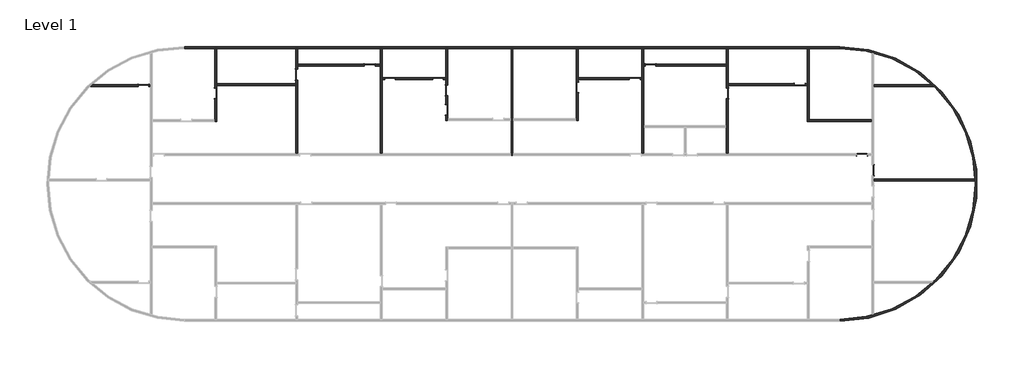
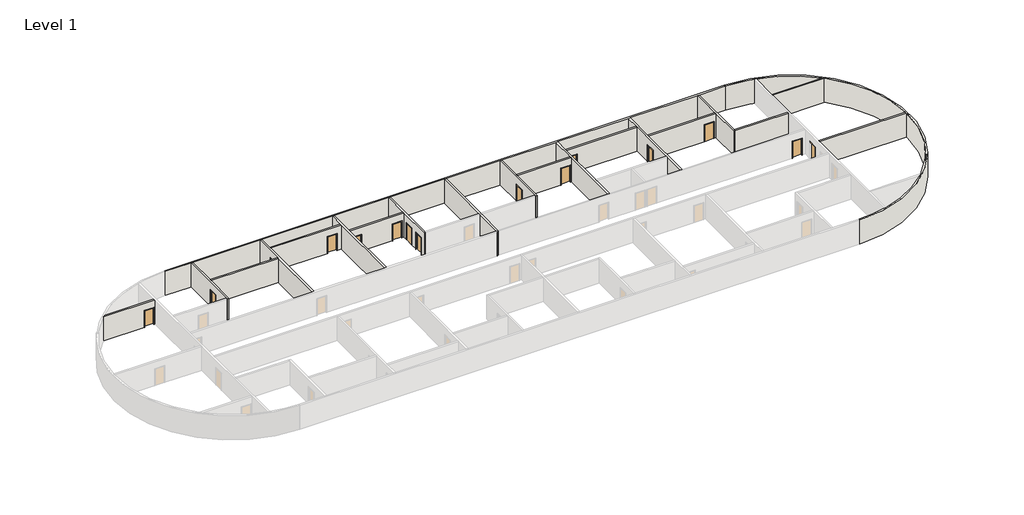
# One storey, part 3 of 3: 21 walls, 15 doors.
"""IFC4 building model written with IfcOpenShell, lengths in millimetres."""

import ifcopenshell
import ifcopenshell.guid

model = None  # the IFC model being written
_history = None  # IfcOwnerHistory: only IFC2X3 demands one
_inside = {}  # id of a spatial element -> (the spatial element, [elements in it])
_under = {}  # id of a project, library or spatial element -> (it, [spatial elements below it])
_declared = {}  # id of a project -> (the project, [libraries it declares])
_typed = {}  # id of a type object -> (the type object, [elements of that type])
_made_of = {}  # id of a material, layer set ... -> (it, [elements and type objects made of it])


def new_model(schema):
    """Start an empty IFC model of exactly this schema.

    Asked for "IFC4X3", IfcOpenShell would pick the latest addendum, in which some entities
    have other attributes; the version numbers below select the first issue.
    IFC2X3 requires an IfcOwnerHistory on every rooted entity: one is made here for all.
    """
    global model, _history
    if schema == "IFC4X3":
        model = ifcopenshell.file(schema_version=(4, 3, 0, 0))
    else:
        model = ifcopenshell.file(schema=schema)
    _inside.clear()
    _under.clear()
    _declared.clear()
    _typed.clear()
    _made_of.clear()
    _history = None
    if model.schema == "IFC2X3":
        org = make("IfcOrganization", Name="unknown")
        user = make(
            "IfcPersonAndOrganization",
            ThePerson=make("IfcPerson", FamilyName="unknown"),
            TheOrganization=org,
        )
        app = make(
            "IfcApplication",
            ApplicationDeveloper=org,
            Version="unknown",
            ApplicationFullName="unknown",
            ApplicationIdentifier="unknown",
        )
        _history = make(
            "IfcOwnerHistory",
            OwningUser=user,
            OwningApplication=app,
            ChangeAction="ADDED",
            CreationDate=0,
        )
    return model


def make(cls, **values):
    """One entity of the class cls with the attributes given. An attribute that is None is left unset."""
    return model.create_entity(
        cls, **{name: value for name, value in values.items() if value is not None}
    )


def rooted(cls, **values):
    """An entity with a GlobalId (a new one), such as an element, a storey or a relation."""
    return make(cls, GlobalId=ifcopenshell.guid.new(), OwnerHistory=_history, **values)


def si_unit(unit_type, name, prefix=None):
    """IfcSIUnit, for example si_unit("LENGTHUNIT", "METRE", prefix="MILLI")."""
    return make("IfcSIUnit", UnitType=unit_type, Prefix=prefix, Name=name)


def assignment(units):
    """IfcUnitAssignment: the units of a project."""
    return None if units is None else make("IfcUnitAssignment", Units=units)


def point(xyz):
    """IfcCartesianPoint."""
    return None if xyz is None else make("IfcCartesianPoint", Coordinates=xyz)


def direction(xyz):
    """IfcDirection."""
    return None if xyz is None else make("IfcDirection", DirectionRatios=xyz)


def frame(location, z_axis=None, x_axis=None):
    """IfcAxis2Placement3D, a coordinate frame: its origin and axes. An axis left out is left unset."""
    return make(
        "IfcAxis2Placement3D",
        Location=point(location),
        Axis=direction(z_axis),
        RefDirection=direction(x_axis),
    )


def frame_2d(location, x_axis=None):
    """IfcAxis2Placement2D, a coordinate frame in the plane: its origin and x axis."""
    return make(
        "IfcAxis2Placement2D", Location=point(location), RefDirection=direction(x_axis)
    )


def origin():
    """The frame at (0, 0, 0) with its axes left unset."""
    return frame((0.0, 0.0, 0.0))


def origin_with_axes():
    """The frame at (0, 0, 0) with the z axis (0, 0, 1) and the x axis (1, 0, 0) written out."""
    return frame((0.0, 0.0, 0.0), z_axis=(0.0, 0.0, 1.0), x_axis=(1.0, 0.0, 0.0))


def place(relative_to, where):
    """IfcLocalPlacement: puts the frame where relative to a parent placement (None: the world)."""
    return make(
        "IfcLocalPlacement", PlacementRelTo=relative_to, RelativePlacement=where
    )


def context(
    kind, dimensions, precision=None, world=None, true_north=None, identifier=None
):
    """IfcGeometricRepresentationContext, for example the 3D "Model" context."""
    return make(
        "IfcGeometricRepresentationContext",
        ContextIdentifier=identifier,
        ContextType=kind,
        CoordinateSpaceDimension=dimensions,
        Precision=precision,
        WorldCoordinateSystem=world,
        TrueNorth=true_north,
    )


def project(units=None, contexts=None):
    """IfcProject with its units and contexts."""
    return rooted(
        "IfcProject",
        Name="project",
        RepresentationContexts=contexts,
        UnitsInContext=assignment(units),
    )


def spatial(cls, under=None, at=None, **own):
    """A site, building, storey or space (cls), placed at a placement, below another one or the project."""
    s = rooted(cls, ObjectPlacement=at, **own)
    if under is not None:
        _under.setdefault(under.id(), (under, []))[1].append(s)
    return s


def polyline(points):
    """IfcPolyline through the points."""
    return make("IfcPolyline", Points=[point(p) for p in points])


def circle_curve(where, radius):
    """IfcCircle in the frame where."""
    return make("IfcCircle", Position=where, Radius=radius)


def trimmed(basis, trim1, trim2, sense, master):
    """IfcTrimmedCurve: the piece of a basis curve between two trims."""
    return make(
        "IfcTrimmedCurve",
        BasisCurve=basis,
        Trim1=trim1,
        Trim2=trim2,
        SenseAgreement=sense,
        MasterRepresentation=master,
    )


def segment(curve, same_sense, transition):
    """IfcCompositeCurveSegment."""
    return make(
        "IfcCompositeCurveSegment",
        Transition=transition,
        SameSense=same_sense,
        ParentCurve=curve,
    )


def composite_curve(segments, self_intersect=None):
    """IfcCompositeCurve: segments joined end to end."""
    return make("IfcCompositeCurve", Segments=segments, SelfIntersect=self_intersect)


def outline(outer, holes=None, kind="AREA"):
    """IfcArbitraryClosedProfileDef: a profile drawn as a closed curve; with holes, ...WithVoids."""
    if holes is None:
        return make("IfcArbitraryClosedProfileDef", ProfileType=kind, OuterCurve=outer)
    return make(
        "IfcArbitraryProfileDefWithVoids",
        ProfileType=kind,
        OuterCurve=outer,
        InnerCurves=holes,
    )


def extrude(swept, where, along, depth):
    """IfcExtrudedAreaSolid: the profile swept, set in the frame where, extruded along a direction by depth."""
    return make(
        "IfcExtrudedAreaSolid",
        SweptArea=swept,
        Position=where,
        ExtrudedDirection=direction(along),
        Depth=depth,
    )


def faces_of(points, faces, orient=None, outer=None):
    """IfcFace entities. A face is a list of loops; a loop is a list of indices into points, from 0.

    orient and outer hold one flag for each loop. By default every Orientation is true, the
    first loop of a face is its IfcFaceOuterBound and the others are IfcFaceBound.
    """
    made = []
    for i, loops in enumerate(faces):
        bounds = []
        for j, loop in enumerate(loops):
            is_outer = j == 0 if outer is None else outer[i][j]
            bounds.append(
                make(
                    "IfcFaceOuterBound" if is_outer else "IfcFaceBound",
                    Bound=make("IfcPolyLoop", Polygon=[points[k] for k in loop]),
                    Orientation=True if orient is None else orient[i][j],
                )
            )
        made.append(make("IfcFace", Bounds=bounds))
    return made


def faceted_brep(points, faces, orient=None, outer=None, voids=None):
    """IfcFacetedBrep: a solid bounded by flat faces; with voids (closed shells), ...WithVoids."""
    shared = [point(p) for p in points]
    hull = make("IfcClosedShell", CfsFaces=faces_of(shared, faces, orient, outer))
    if voids is None:
        return make("IfcFacetedBrep", Outer=hull)
    return make(
        "IfcFacetedBrepWithVoids",
        Outer=hull,
        Voids=[
            make(cls, CfsFaces=faces_of(shared, fs, o, b)) for cls, fs, o, b in voids
        ],
    )


def shape(context_of_items, identifier, shape_type, items):
    """IfcShapeRepresentation: the items that make up one representation, for example the "Body"."""
    return make(
        "IfcShapeRepresentation",
        ContextOfItems=context_of_items,
        RepresentationIdentifier=identifier,
        RepresentationType=shape_type,
        Items=items,
    )


def source(mapping_origin, context_of_items, identifier, shape_type, items):
    """IfcRepresentationMap: a shape defined once, which mapped items show again and again."""
    return make(
        "IfcRepresentationMap",
        MappingOrigin=mapping_origin,
        MappedRepresentation=shape(context_of_items, identifier, shape_type, items),
    )


def transform(
    local_origin,
    x_axis=None,
    y_axis=None,
    z_axis=None,
    scale=None,
    scale2=None,
    scale3=None,
    uniform=True,
):
    """IfcCartesianTransformationOperator3D, or its non-uniform kind. x_axis, y_axis, z_axis: its Axis1, 2, 3."""
    if uniform:
        return make(
            "IfcCartesianTransformationOperator3D",
            Axis1=direction(x_axis),
            Axis2=direction(y_axis),
            LocalOrigin=point(local_origin),
            Scale=scale,
            Axis3=direction(z_axis),
        )
    return make(
        "IfcCartesianTransformationOperator3DnonUniform",
        Axis1=direction(x_axis),
        Axis2=direction(y_axis),
        LocalOrigin=point(local_origin),
        Scale=scale,
        Axis3=direction(z_axis),
        Scale2=scale2,
        Scale3=scale3,
    )


def mapped(mapping_source, mapping_target):
    """IfcMappedItem: shows the shape of a source again, moved by a transform."""
    return make(
        "IfcMappedItem", MappingSource=mapping_source, MappingTarget=mapping_target
    )


def made_of(thing, what):
    """Note that an element or type object is made of a material, layer set ...; save() writes the relation."""
    if what is not None:
        _made_of.setdefault(what.id(), (what, []))[1].append(thing)
    return thing


def element(
    cls,
    number,
    at=None,
    inside=None,
    cuts=None,
    type_object=None,
    material=None,
    context=None,
    identifier="Body",
    shape_type=None,
    held_by="IfcProductDefinitionShape",
    body=None,
    shapes=None,
    **own,
):
    """One element of the class cls, such as IfcWall. Its Tag is "e" and its number.

    at: its placement. inside: the storey or other place that contains it. cuts: it is an
    opening in that element (IfcRelVoidsElement). A single representation is given by context,
    identifier, shape_type and body (its items); several are given by shapes. held_by: the class
    of the entity that holds the representations. save() writes the other relations.
    """
    e = rooted(cls, Tag="e%d" % number, ObjectPlacement=at, **own)
    if body is not None:
        shapes = [shape(context, identifier, shape_type, body)]
    if shapes is not None:
        e.Representation = make(held_by, Representations=shapes)
    if inside is not None:
        _inside.setdefault(inside.id(), (inside, []))[1].append(e)
    if cuts is not None:
        rooted(
            "IfcRelVoidsElement", RelatingBuildingElement=cuts, RelatedOpeningElement=e
        )
    if type_object is not None:
        _typed.setdefault(type_object.id(), (type_object, []))[1].append(e)
    return made_of(e, material)


def aggregate(whole, parts):
    """IfcRelAggregates: a whole, such as a stair, and the parts it consists of."""
    return rooted("IfcRelAggregates", RelatingObject=whole, RelatedObjects=parts)


def save(model, path):
    """Write the relations noted so far, then the file.

    IfcRelAggregates (storeys below a building ...), IfcRelContainedInSpatialStructure (elements
    in a storey), IfcRelDefinesByType, IfcRelAssociatesMaterial and IfcRelDeclares: one each for
    every whole, place, type object, material and project.
    """
    for whole, parts in _under.values():
        aggregate(whole, parts)
    for where, things in _inside.values():
        rooted(
            "IfcRelContainedInSpatialStructure",
            RelatedElements=things,
            RelatingStructure=where,
        )
    for kind, things in _typed.values():
        rooted("IfcRelDefinesByType", RelatedObjects=things, RelatingType=kind)
    for what, things in _made_of.values():
        rooted("IfcRelAssociatesMaterial", RelatedObjects=things, RelatingMaterial=what)
    for by, libraries in _declared.values():
        rooted("IfcRelDeclares", RelatingContext=by, RelatedDefinitions=libraries)
    model.write(path)


def plane_surface(at):
    """IfcPlane: the flat surface through the origin of the frame at, square to its z axis."""
    return make("IfcPlane", Position=at)


def cylinder_surface(at, radius):
    """IfcCylindricalSurface: all points at the distance radius from the z axis of the frame at."""
    return make("IfcCylindricalSurface", Position=at, Radius=radius)


def revolved_surface(curve, axis_point, axis_direction):
    """IfcSurfaceOfRevolution: the curve turned about the line through axis_point along axis_direction."""
    return make(
        "IfcSurfaceOfRevolution",
        SweptCurve=make("IfcArbitraryOpenProfileDef", ProfileType="CURVE", Curve=curve),
        AxisPosition=make("IfcAxis1Placement", Location=point(axis_point), Axis=direction(axis_direction)),
    )


def advanced_brep(points, edges, surfaces, faces):
    """IfcAdvancedBrep: a solid bounded by faces that lie on surfaces and meet in shared edges.

    An edge is (start, end): straight between two places in points (the first is 0);
    or (start, end, curve); or (start, end, curve, False) where it runs against its curve.
    A face is (place in surfaces, loops), or (place, loops, False) where it looks against
    its surface's normal. A loop lists edges by number (the first is 1), with a minus sign
    where the edge is run from its end to its start. The first loop is the outer one.
    """
    corners = [point(p) for p in points]
    vertices = [make("IfcVertexPoint", VertexGeometry=c) for c in corners]
    made = []
    for start, end, *more in edges:
        made.append(
            make(
                "IfcEdgeCurve",
                EdgeStart=vertices[start],
                EdgeEnd=vertices[end],
                EdgeGeometry=more[0] if more else make("IfcPolyline", Points=[corners[start], corners[end]]),
                SameSense=more[1] if len(more) > 1 else True,
            )
        )
    hull = []
    for where, loops, *sense in faces:
        bounds = []
        for j, loop in enumerate(loops):
            ring = [make("IfcOrientedEdge", EdgeElement=made[abs(k) - 1], Orientation=k > 0) for k in loop]
            bounds.append(
                make(
                    "IfcFaceOuterBound" if j == 0 else "IfcFaceBound",
                    Bound=make("IfcEdgeLoop", EdgeList=ring),
                    Orientation=True,
                )
            )
        hull.append(make("IfcAdvancedFace", Bounds=bounds, FaceSurface=surfaces[where], SameSense=sense[0] if sense else True))
    return make("IfcAdvancedBrep", Outer=make("IfcClosedShell", CfsFaces=hull))


def door_1100x2100_mm_18792538(model_context):
    return source(origin(), model_context, "Body", "SweptSolid", [
        extrude(outline(polyline([(2150.0, -600.0), (0.0, -600.0), (0.0, -550.0), (2100.0, -550.0), (2100.0, 550.0), (0.0, 550.0), (0.0, 600.0), (2150.0, 600.0), (2150.0, -600.0)])), frame((0.0, 101.6, 0.0), z_axis=(0.0, 1.0, 0.0), x_axis=(0.0, 0.0, 1.0)), (0.0, 0.0, 1.0), 25.0),
        extrude(outline(polyline([(2150.0, 600.0), (2150.0, -600.0), (0.0, -600.0), (0.0, -550.0), (2100.0, -550.0), (2100.0, 550.0), (0.0, 550.0), (0.0, 600.0), (2150.0, 600.0)])), frame((0.0, -126.6, 0.0), z_axis=(0.0, 1.0, 0.0), x_axis=(0.0, 0.0, 1.0)), (0.0, 0.0, 1.0), 25.0),
        extrude(outline(polyline([(550.0, 50.6), (-550.0, 50.6), (-550.0, 101.6), (550.0, 101.6), (550.0, 50.6)])), origin_with_axes(), (0.0, 0.0, 1.0), 2100.0),
    ])


def door_1100x2100_mm_00e273c1(model_context):
    return source(origin(), model_context, "Body", "SweptSolid", [
        extrude(outline(polyline([(2150.0, -600.0), (0.0, -600.0), (0.0, -550.0), (2100.0, -550.0), (2100.0, 550.0), (0.0, 550.0), (0.0, 600.0), (2150.0, 600.0), (2150.0, -600.0)])), frame((0.0, -126.6, 0.0), z_axis=(0.0, 1.0, 0.0), x_axis=(0.0, 0.0, 1.0)), (0.0, 0.0, 1.0), 25.0),
        extrude(outline(polyline([(2150.0, 600.0), (2150.0, -600.0), (0.0, -600.0), (0.0, -550.0), (2100.0, -550.0), (2100.0, 550.0), (0.0, 550.0), (0.0, 600.0), (2150.0, 600.0)])), frame((0.0, 101.6, 0.0), z_axis=(0.0, 1.0, 0.0), x_axis=(0.0, 0.0, 1.0)), (0.0, 0.0, 1.0), 25.0),
        extrude(outline(polyline([(550.0, -50.6), (550.0, -101.6), (-550.0, -101.6), (-550.0, -50.6), (550.0, -50.6)])), origin_with_axes(), (0.0, 0.0, 1.0), 2100.0),
    ])


model = new_model("IFC4")

# Units and contexts
model_context = context("Model", 3, world=origin())
ifc_project = project(units=[si_unit("LENGTHUNIT", "METRE", prefix="MILLI")], contexts=[model_context])

# Site, building, storey
site = spatial("IfcSite", under=ifc_project)
building = spatial("IfcBuilding", under=site)
storey = spatial("IfcBuildingStorey", under=building, Name="Level 1", Elevation=0.0)

# Doors
placement = place(None, origin())
door_1100x2100_mm_shape = door_1100x2100_mm_18792538(model_context)
element("IfcDoor", 1, ObjectType="1100X2100 mm", at=placement, inside=storey, context=model_context, shape_type="MappedRepresentation", body=[
    mapped(door_1100x2100_mm_shape, transform((47168.0048077, -6082.971418, 0.0), x_axis=(0.0, -1.0, 0.0), y_axis=(1.0, 0.0, 0.0), z_axis=(0.0, 0.0, 1.0))),
])
element("IfcDoor", 2, ObjectType="1100X2100 mm", at=placement, inside=storey, context=model_context, shape_type="MappedRepresentation", body=[
    mapped(door_1100x2100_mm_shape, transform((46068.0048077, -4482.971418, 0.0), x_axis=(1.0, 0.0, 0.0), y_axis=(0.0, 1.0, 0.0), z_axis=(0.0, 0.0, 1.0))),
])
element("IfcDoor", 3, ObjectType="1100X2100 mm", at=placement, inside=storey, context=model_context, shape_type="MappedRepresentation", body=[
    mapped(door_1100x2100_mm_shape, transform((16868.0048077, 2417.028582, 0.0), x_axis=(0.0, 1.0, 0.0), y_axis=(-1.0, 0.0, 0.0), z_axis=(0.0, 0.0, 1.0))),
])
element("IfcDoor", 4, ObjectType="1100X2100 mm", at=placement, inside=storey, context=model_context, shape_type="MappedRepresentation", body=[
    mapped(door_1100x2100_mm_shape, transform((22768.0048077, 3317.028582, 0.0), x_axis=(1.0, 0.0, 0.0), y_axis=(0.0, 1.0, 0.0), z_axis=(0.0, 0.0, 1.0))),
])
element("IfcDoor", 5, ObjectType="1100X2100 mm", at=placement, inside=storey, context=model_context, shape_type="MappedRepresentation", body=[
    mapped(door_1100x2100_mm_shape, transform((3468.0048077, 117.028582, 0.0), x_axis=(0.0, -1.0, 0.0), y_axis=(1.0, 0.0, 0.0), z_axis=(0.0, 0.0, 1.0))),
])
element("IfcDoor", 6, ObjectType="1100X2100 mm", at=placement, inside=storey, context=model_context, shape_type="MappedRepresentation", body=[
    mapped(door_1100x2100_mm_shape, transform((2568.0048077, 3317.028582, 0.0), x_axis=(1.0, 0.0, 0.0), y_axis=(0.0, 1.0, 0.0), z_axis=(0.0, 0.0, 1.0))),
])
element("IfcDoor", 7, ObjectType="1100X2100 mm", at=placement, inside=storey, context=model_context, shape_type="MappedRepresentation", body=[
    mapped(door_1100x2100_mm_shape, transform((-4431.9951923, 4717.028582, 0.0), x_axis=(1.0, 0.0, 0.0), y_axis=(0.0, 1.0, 0.0), z_axis=(0.0, 0.0, 1.0))),
])
element("IfcDoor", 8, ObjectType="1100X2100 mm", at=placement, inside=storey, context=model_context, shape_type="MappedRepresentation", body=[
    mapped(door_1100x2100_mm_shape, transform((-27631.9951923, 2617.028582, 0.0), x_axis=(1.0, 0.0, 0.0), y_axis=(0.0, 1.0, 0.0), z_axis=(0.0, 0.0, 1.0))),
])
element("IfcDoor", 9, ObjectType="1100X2100 mm", at=placement, inside=storey, context=model_context, shape_type="MappedRepresentation", body=[
    mapped(door_1100x2100_mm_shape, transform((3468.0048077, 2117.028582, 0.0), x_axis=(0.0, 1.0, 0.0), y_axis=(-1.0, 0.0, 0.0), z_axis=(0.0, 0.0, 1.0))),
])
door_1100x2100_mm_2_shape = door_1100x2100_mm_00e273c1(model_context)
element("IfcDoor", 10, ObjectType="1100X2100 mm", at=placement, inside=storey, context=model_context, shape_type="MappedRepresentation", body=[
    mapped(door_1100x2100_mm_2_shape, transform((39668.0048077, 2717.028582, 0.0), x_axis=(1.0, 0.0, 0.0), y_axis=(0.0, 1.0, 0.0), z_axis=(0.0, 0.0, 1.0))),
])
element("IfcDoor", 11, ObjectType="1100X2100 mm", at=placement, inside=storey, context=model_context, shape_type="MappedRepresentation", body=[
    mapped(door_1100x2100_mm_2_shape, transform((32268.0048077, 1817.028582, 0.0), x_axis=(0.0, 1.0, 0.0), y_axis=(-1.0, 0.0, 0.0), z_axis=(0.0, 0.0, 1.0))),
])
element("IfcDoor", 12, ObjectType="1100X2100 mm", at=placement, inside=storey, context=model_context, shape_type="MappedRepresentation", body=[
    mapped(door_1100x2100_mm_2_shape, transform((24368.0048077, 4717.028582, 0.0), x_axis=(-1.0, 0.0, 0.0), y_axis=(0.0, -1.0, 0.0), z_axis=(0.0, 0.0, 1.0))),
])
element("IfcDoor", 13, ObjectType="1100X2100 mm", at=placement, inside=storey, context=model_context, shape_type="MappedRepresentation", body=[
    mapped(door_1100x2100_mm_2_shape, transform((-11931.9951923, 3717.028582, 0.0), x_axis=(0.0, -1.0, 0.0), y_axis=(1.0, 0.0, 0.0), z_axis=(0.0, 0.0, 1.0))),
])
element("IfcDoor", 14, ObjectType="1100X2100 mm", at=placement, inside=storey, context=model_context, shape_type="MappedRepresentation", body=[
    mapped(door_1100x2100_mm_2_shape, transform((-20231.9951923, 1817.028582, 0.0), x_axis=(0.0, 1.0, 0.0), y_axis=(-1.0, 0.0, 0.0), z_axis=(0.0, 0.0, 1.0))),
])
element("IfcDoor", 15, ObjectType="1100X2100 mm", at=placement, inside=storey, context=model_context, shape_type="MappedRepresentation", body=[
    mapped(door_1100x2100_mm_2_shape, transform((-2331.9951923, 3317.028582, 0.0), x_axis=(-1.0, 0.0, 0.0), y_axis=(0.0, -1.0, 0.0), z_axis=(0.0, 0.0, 1.0))),
])

# Walls
element("IfcWall", 16, ObjectType="Generic - 8\"", at=placement, inside=storey, context=model_context, shape_type="Brep", body=[
    faceted_brep([(43802.5507202, 6618.628582, 0.0), (-23466.5411049, 6618.628582, 0.0), (-23466.5411049, 6618.628582, 3048.0), (43802.5507202, 6618.628582, 3048.0), (43802.5507202, 6415.428582, 0.0), (43802.5507202, 6415.428582, 3048.0), (40669.6048077, 6415.428582, 3048.0), (40466.4048077, 6415.428582, 3048.0), (32369.6048077, 6415.428582, 3048.0), (32166.4048077, 6415.428582, 3048.0), (23669.6048077, 6415.428582, 3048.0), (23466.4048077, 6415.428582, 3048.0), (16969.6048077, 6415.428582, 3048.0), (16766.4048077, 6415.428582, 3048.0), (10269.6048077, 6415.428582, 3048.0), (10066.4048077, 6415.428582, 3048.0), (3569.6048077, 6415.428582, 3048.0), (3366.4048077, 6415.428582, 3048.0), (-3130.3951923, 6415.428582, 3048.0), (-3333.5951923, 6415.428582, 3048.0), (-11830.3951923, 6415.428582, 3048.0), (-12033.5951923, 6415.428582, 3048.0), (-20130.3951923, 6415.428582, 3048.0), (-20333.5951923, 6415.428582, 3048.0), (-23466.5411049, 6415.428582, 3048.0), (-23466.5411049, 6415.428582, 0.0), (-20333.5951923, 6415.428582, 0.0), (-20130.3951923, 6415.428582, 0.0), (-12033.5951923, 6415.428582, 0.0), (-11830.3951923, 6415.428582, 0.0), (-3333.5951923, 6415.428582, 0.0), (-3130.3951923, 6415.428582, 0.0), (3366.4048077, 6415.428582, 0.0), (3569.6048077, 6415.428582, 0.0), (10066.4048077, 6415.428582, 0.0), (10269.6048077, 6415.428582, 0.0), (16766.4048077, 6415.428582, 0.0), (16969.6048077, 6415.428582, 0.0), (23466.4048077, 6415.428582, 0.0), (23669.6048077, 6415.428582, 0.0), (32166.4048077, 6415.428582, 0.0), (32369.6048077, 6415.428582, 0.0), (40466.4048077, 6415.428582, 0.0), (40669.6048077, 6415.428582, 0.0)], [[[0, 1, 2, 3]], [[4, 5, 6, 7, 8, 9, 10, 11, 12, 13, 14, 15, 16, 17, 18, 19, 20, 21, 22, 23, 24, 25, 26, 27, 28, 29, 30, 31, 32, 33, 34, 35, 36, 37, 38, 39, 40, 41, 42, 43]], [[1, 0, 4, 43, 42, 41, 40, 39, 38, 37, 36, 35, 34, 33, 32, 31, 30, 29, 28, 27, 26, 25]], [[2, 1, 25, 24]], [[3, 2, 24, 23, 22, 21, 20, 19, 18, 17, 16, 15, 14, 13, 12, 11, 10, 9, 8, 7, 6, 5]], [[0, 3, 5, 4]]]),
])
element("IfcWall", 17, ObjectType="Generic - 8\"", at=placement, inside=storey, context=model_context, shape_type="AdvancedBrep", body=[
    advanced_brep(
    [(43802.5507202, 6415.428582, 3048.0), (47066.4103674, 6026.756216, 3048.0), (47269.6004474, 5976.0435002, 3048.0), (53241.4554187, 2718.6261935, 3048.0), (53456.4337867, 2515.4314252, 3048.0), (57691.8963956, -6981.3777822, 3048.0), (57697.7467295, -7184.5663234, 3048.0), (53456.4343524, -17481.3736912, 3048.0), (53241.4561921, -17684.5683286, 3048.0), (47269.6020514, -20941.9859093, 3048.0), (47066.4106234, -20992.6990128, 3048.0), (43802.5507202, -21381.371418, 3048.0), (43802.5507202, -21584.571418, 3048.0), (43802.5507202, 6618.628582, 3048.0), (43802.5507202, 6415.428582, 0.0), (43802.5507202, 6618.628582, 0.0), (43802.5507202, -21584.571418, 0.0), (43802.5507202, -21381.371418, 0.0), (47066.4106234, -20992.6990128, 0.0), (47269.6020514, -20941.9859093, 0.0), (53241.4561921, -17684.5683286, 0.0), (53456.4343524, -17481.3736912, 0.0), (57697.7467295, -7184.5663234, 0.0), (57691.8963956, -6981.3777822, 0.0), (53456.4337867, 2515.4314252, 0.0), (53241.4554187, 2718.6261935, 0.0), (47269.6004474, 5976.0435002, 0.0), (47066.4103674, 6026.756216, 0.0)],
    [
        (0, 1, circle_curve(frame((43802.5507202, -7482.971418, 3048.0), z_axis=(0.0, 0.0, -1.0), x_axis=(1.0, 0.0, 0.0)), 13898.4)),
        (1, 2, circle_curve(frame((43802.5507202, -7482.971418, 3048.0), z_axis=(0.0, 0.0, -1.0), x_axis=(1.0, 0.0, 0.0)), 13898.3999274)),
        (2, 3, circle_curve(frame((43802.5507202, -7482.971418, 3048.0), z_axis=(0.0, 0.0, -1.0), x_axis=(1.0, 0.0, 0.0)), 13898.3997777)),
        (3, 4, circle_curve(frame((43802.5507202, -7482.971418, 3048.0), z_axis=(0.0, 0.0, -1.0), x_axis=(1.0, 0.0, 0.0)), 13898.3997544)),
        (4, 5, circle_curve(frame((43802.5507202, -7482.971418, 3048.0), z_axis=(0.0, 0.0, -1.0), x_axis=(1.0, 0.0, 0.0)), 13898.3998243)),
        (5, 6, circle_curve(frame((43802.5507202, -7482.971418, 3048.0), z_axis=(0.0, 0.0, -1.0), x_axis=(1.0, 0.0, 0.0)), 13898.3998887)),
        (6, 7, circle_curve(frame((43802.5507202, -7482.971418, 3048.0), z_axis=(0.0, 0.0, -1.0), x_axis=(1.0, 0.0, 0.0)), 13898.3998265)),
        (7, 8, circle_curve(frame((43802.5507202, -7482.971418, 3048.0), z_axis=(0.0, 0.0, -1.0), x_axis=(1.0, 0.0, 0.0)), 13898.3998072)),
        (8, 9, circle_curve(frame((43802.5507202, -7482.971418, 3048.0), z_axis=(0.0, 0.0, -1.0), x_axis=(1.0, 0.0, 0.0)), 13898.3997652)),
        (9, 10, circle_curve(frame((43802.5507202, -7482.971418, 3048.0), z_axis=(0.0, 0.0, -1.0), x_axis=(1.0, 0.0, 0.0)), 13898.3997643)),
        (10, 11, circle_curve(frame((43802.5507202, -7482.971418, 3048.0), z_axis=(0.0, 0.0, -1.0), x_axis=(1.0, 0.0, 0.0)), 13898.3999494)),
        (11, 12),
        (12, 13, circle_curve(frame((43802.5507202, -7482.971418, 3048.0), z_axis=(0.0, 0.0, 1.0), x_axis=(1.0, 0.0, 0.0)), 14101.6)),
        (13, 0),
        (14, 15),
        (15, 16, circle_curve(frame((43802.5507202, -7482.971418, 0.0), z_axis=(0.0, 0.0, -1.0), x_axis=(1.0, 0.0, 0.0)), 14101.6)),
        (16, 17),
        (17, 18, circle_curve(frame((43802.5507202, -7482.971418, 0.0), z_axis=(0.0, 0.0, 1.0), x_axis=(1.0, 0.0, 0.0)), 13898.4)),
        (18, 19, circle_curve(frame((43802.5507202, -7482.971418, 0.0), z_axis=(0.0, 0.0, 1.0), x_axis=(1.0, 0.0, 0.0)), 13898.3999494)),
        (19, 20, circle_curve(frame((43802.5507202, -7482.971418, 0.0), z_axis=(0.0, 0.0, 1.0), x_axis=(1.0, 0.0, 0.0)), 13898.3997643)),
        (20, 21, circle_curve(frame((43802.5507202, -7482.971418, 0.0), z_axis=(0.0, 0.0, 1.0), x_axis=(1.0, 0.0, 0.0)), 13898.3997652)),
        (21, 22, circle_curve(frame((43802.5507202, -7482.971418, 0.0), z_axis=(0.0, 0.0, 1.0), x_axis=(1.0, 0.0, 0.0)), 13898.3998072)),
        (22, 23, circle_curve(frame((43802.5507202, -7482.971418, 0.0), z_axis=(0.0, 0.0, 1.0), x_axis=(1.0, 0.0, 0.0)), 13898.3998265)),
        (23, 24, circle_curve(frame((43802.5507202, -7482.971418, 0.0), z_axis=(0.0, 0.0, 1.0), x_axis=(1.0, 0.0, 0.0)), 13898.3998887)),
        (24, 25, circle_curve(frame((43802.5507202, -7482.971418, 0.0), z_axis=(0.0, 0.0, 1.0), x_axis=(1.0, 0.0, 0.0)), 13898.3998243)),
        (25, 26, circle_curve(frame((43802.5507202, -7482.971418, 0.0), z_axis=(0.0, 0.0, 1.0), x_axis=(1.0, 0.0, 0.0)), 13898.3997544)),
        (26, 27, circle_curve(frame((43802.5507202, -7482.971418, 0.0), z_axis=(0.0, 0.0, 1.0), x_axis=(1.0, 0.0, 0.0)), 13898.3997777)),
        (27, 14, circle_curve(frame((43802.5507202, -7482.971418, 0.0), z_axis=(0.0, 0.0, 1.0), x_axis=(1.0, 0.0, 0.0)), 13898.3999274)),
        (0, 14),
        (17, 11),
        (16, 12),
        (15, 13),
    ],
    [
        plane_surface(frame((57700.9507202, -7482.971418, 3048.0), z_axis=(0.0, 0.0, 1.0), x_axis=(0.0, -1.0, 0.0))),
        plane_surface(frame((57700.9507202, -7482.971418, 0.0), z_axis=(0.0, 0.0, -1.0), x_axis=(0.0, 1.0, 0.0))),
        revolved_surface(polyline([(57700.9507202, -7482.971418, 0.0), (57700.9507202, -7482.971418, 3048.0)]), (43802.5507202, -7482.971418, 0.0), (0.0, 0.0, -1.0)),
        plane_surface(frame((43802.5507202, -21381.371418, 3048.0), z_axis=(-1.0, 0.0, 0.0), x_axis=(0.0, 0.0, -1.0))),
        cylinder_surface(frame((43802.5507202, -7482.971418, 0.0), z_axis=(0.0, 0.0, 1.0), x_axis=(1.0, 0.0, 0.0)), 14101.6),
        plane_surface(frame((43802.5507202, 6618.628582, 3048.0), z_axis=(-1.0, 0.0, 0.0), x_axis=(0.0, 0.0, -1.0))),
    ],
    [
        (0, [[1, 2, 3, 4, 5, 6, 7, 8, 9, 10, 11, 12, 13, 14]]),
        (1, [[15, 16, 17, 18, 19, 20, 21, 22, 23, 24, 25, 26, 27, 28]]),
        (2, [[-11, -10, -9, -8, -7, -6, -5, -4, -3, -2, -1, 29, -28, -27, -26, -25, -24, -23, -22, -21, -20, -19, -18, 30]]),
        (3, [[-12, -30, -17, 31]]),
        (4, [[-13, -31, -16, 32]]),
        (5, [[-14, -32, -15, -29]]),
    ],
),
])
element("IfcWall", 18, ObjectType="Generic - 8\"", at=placement, inside=storey, context=model_context, shape_type="Brep", body=[
    faceted_brep([(10066.4048077, 6415.428582, 0.0), (10066.4048077, -781.371418, 0.0), (10066.4048077, -984.571418, 0.0), (10066.4048077, -4381.371418, 0.0), (10066.4048077, -4584.571418, 0.0), (10066.4048077, -4584.571418, 3048.0), (10066.4048077, -4381.371418, 3048.0), (10066.4048077, -984.571418, 3048.0), (10066.4048077, -781.371418, 3048.0), (10066.4048077, 6415.428582, 3048.0), (10269.6048077, 6415.428582, 0.0), (10269.6048077, 6415.428582, 3048.0), (10269.6048077, -781.371418, 3048.0), (10269.6048077, -984.571418, 3048.0), (10269.6048077, -4381.371418, 3048.0), (10269.6048077, -4584.571418, 3048.0), (10269.6048077, -4584.571418, 0.0), (10269.6048077, -4381.371418, 0.0), (10269.6048077, -984.571418, 0.0), (10269.6048077, -781.371418, 0.0)], [[[0, 1, 2, 3, 4, 5, 6, 7, 8, 9]], [[10, 11, 12, 13, 14, 15, 16, 17, 18, 19]], [[4, 3, 2, 1, 0, 10, 19, 18, 17, 16]], [[9, 8, 7, 6, 5, 15, 14, 13, 12, 11]], [[0, 9, 11, 10]], [[5, 4, 16, 15]]]),
])
element("IfcWall", 19, ObjectType="Generic - 8\"", at=placement, inside=storey, context=model_context, shape_type="SweptSolid", body=[
    extrude(outline(composite_curve([segment(polyline([(57697.7470124, -7184.571418), (47269.6048077, -7184.571418), (47269.6048077, -6981.371418), (57691.8962771, -6981.371418)]), True, "CONTINUOUS"), segment(trimmed(circle_curve(frame_2d((43802.5507202, -7482.971418)), 13898.4), [point((57691.8962771, -6981.371418))], [point((57697.7470124, -7184.571418))], False, "CARTESIAN"), True, "CONTINUOUS")], self_intersect=False)), origin_with_axes(), (0.0, 0.0, 1.0), 3048.0),
])
element("IfcWall", 20, ObjectType="Generic - 8\"", at=placement, inside=storey, context=model_context, shape_type="SweptSolid", body=[
    extrude(outline(composite_curve([segment(polyline([(53456.4369843, 2515.428582), (47269.6048077, 2515.428582), (47269.6048077, 2718.628582), (53241.4531988, 2718.628582)]), True, "CONTINUOUS"), segment(trimmed(circle_curve(frame_2d((43802.5507202, -7482.971418)), 13898.4), [point((53241.4531988, 2718.628582))], [point((53456.4369843, 2515.428582))], False, "CARTESIAN"), True, "CONTINUOUS")], self_intersect=False)), origin_with_axes(), (0.0, 0.0, 1.0), 3048.0),
])
element("IfcWall", 21, ObjectType="Generic - 8\"", at=placement, inside=storey, context=model_context, shape_type="Brep", body=[
    faceted_brep([(40466.4048077, 6415.428582, 0.0), (40466.4048077, 2818.628582, 0.0), (40466.4048077, 2615.428582, 0.0), (40466.4048077, -1084.571418, 0.0), (40466.4048077, -1084.571418, 3048.0), (40466.4048077, 2615.428582, 3048.0), (40466.4048077, 2818.628582, 3048.0), (40466.4048077, 6415.428582, 3048.0), (40669.6048077, 6415.428582, 0.0), (40669.6048077, 6415.428582, 3048.0), (40669.6048077, -881.371418, 3048.0), (40669.6048077, -1084.571418, 3048.0), (40669.6048077, -1084.571418, 0.0), (40669.6048077, -881.371418, 0.0)], [[[0, 1, 2, 3, 4, 5, 6, 7]], [[8, 9, 10, 11, 12, 13]], [[3, 2, 1, 0, 8, 13, 12]], [[7, 6, 5, 4, 11, 10, 9]], [[0, 7, 9, 8]], [[4, 3, 12, 11]]]),
])
element("IfcWall", 22, ObjectType="Generic - 8\"", at=placement, inside=storey, context=model_context, shape_type="SweptSolid", body=[
    extrude(outline(polyline([(47066.4048077, -1084.571418), (40669.6048077, -1084.571418), (40669.6048077, -881.371418), (47066.4048077, -881.371418), (47066.4048077, -1084.571418)])), origin_with_axes(), (0.0, 0.0, 1.0), 3048.0),
])
element("IfcWall", 23, ObjectType="Generic - 8\"", at=placement, inside=storey, context=model_context, shape_type="Brep", body=[
    faceted_brep([(32166.4048077, 6415.428582, 0.0), (32166.4048077, 4818.628582, 0.0), (32166.4048077, 4615.428582, 0.0), (32166.4048077, 2367.028582, 0.0), (32166.4048077, 2367.028582, 2100.0), (32166.4048077, 1267.028582, 2100.0), (32166.4048077, 1267.028582, 0.0), (32166.4048077, -1481.371418, 0.0), (32166.4048077, -1684.571418, 0.0), (32166.4048077, -4381.371418, 0.0), (32166.4048077, -4381.371418, 3048.0), (32166.4048077, -1684.571418, 3048.0), (32166.4048077, -1481.371418, 3048.0), (32166.4048077, 4615.428582, 3048.0), (32166.4048077, 4818.628582, 3048.0), (32166.4048077, 6415.428582, 3048.0), (32369.6048077, 2367.028582, 2100.0), (32369.6048077, 2367.028582, 0.0), (32369.6048077, 2615.428582, 0.0), (32369.6048077, 2818.628582, 0.0), (32369.6048077, 6415.428582, 0.0), (32369.6048077, 6415.428582, 3048.0), (32369.6048077, 2818.628582, 3048.0), (32369.6048077, 2615.428582, 3048.0), (32369.6048077, -4381.371418, 3048.0), (32369.6048077, -4381.371418, 0.0), (32369.6048077, 1267.028582, 0.0), (32369.6048077, 1267.028582, 2100.0)], [[[0, 1, 2, 3, 4, 5, 6, 7, 8, 9, 10, 11, 12, 13, 14, 15]], [[16, 17, 18, 19, 20, 21, 22, 23, 24, 25, 26, 27]], [[26, 25, 9, 8, 7, 6]], [[20, 19, 18, 17, 3, 2, 1, 0]], [[15, 14, 13, 12, 11, 10, 24, 23, 22, 21]], [[10, 9, 25, 24]], [[0, 15, 21, 20]], [[4, 3, 17, 16]], [[5, 4, 16, 27]], [[6, 5, 27, 26]]]),
])
element("IfcWall", 24, ObjectType="Generic - 8\"", at=placement, inside=storey, context=model_context, shape_type="SweptSolid", body=[
    extrude(outline(polyline([(0.0, 23669.6048077), (0.0, 23818.0048077), (2100.0, 23818.0048077), (2100.0, 24918.0048077), (0.0, 24918.0048077), (0.0, 32166.4048077), (3048.0, 32166.4048077), (3048.0, 23669.6048077), (0.0, 23669.6048077)])), frame((0.0, 4615.428582, 0.0), z_axis=(0.0, 1.0, 0.0), x_axis=(0.0, 0.0, 1.0)), (0.0, 0.0, 1.0), 203.2),
])
element("IfcWall", 25, ObjectType="Generic - 8\"", at=placement, inside=storey, context=model_context, shape_type="Brep", body=[
    faceted_brep([(23669.6048077, -4381.371418, 0.0), (23669.6048077, -1684.571418, 0.0), (23669.6048077, -1481.371418, 0.0), (23669.6048077, 4615.428582, 0.0), (23669.6048077, 4818.628582, 0.0), (23669.6048077, 6415.428582, 0.0), (23669.6048077, 6415.428582, 3048.0), (23669.6048077, 4818.628582, 3048.0), (23669.6048077, 4615.428582, 3048.0), (23669.6048077, -1481.371418, 3048.0), (23669.6048077, -1684.571418, 3048.0), (23669.6048077, -4381.371418, 3048.0), (23466.4048077, -4381.371418, 0.0), (23466.4048077, -4381.371418, 3048.0), (23466.4048077, 3215.428582, 3048.0), (23466.4048077, 3418.628582, 3048.0), (23466.4048077, 6415.428582, 3048.0), (23466.4048077, 6415.428582, 0.0), (23466.4048077, 3418.628582, 0.0), (23466.4048077, 3215.428582, 0.0)], [[[0, 1, 2, 3, 4, 5, 6, 7, 8, 9, 10, 11]], [[12, 13, 14, 15, 16, 17, 18, 19]], [[5, 4, 3, 2, 1, 0, 12, 19, 18, 17]], [[11, 10, 9, 8, 7, 6, 16, 15, 14, 13]], [[6, 5, 17, 16]], [[0, 11, 13, 12]]]),
])
element("IfcWall", 26, ObjectType="Generic - 8\"", at=placement, inside=storey, context=model_context, shape_type="SweptSolid", body=[
    extrude(outline(polyline([(2100.0, 40218.0048077), (0.0, 40218.0048077), (0.0, 40466.4048077), (3048.0, 40466.4048077), (3048.0, 32369.6048077), (0.0, 32369.6048077), (0.0, 39118.0048077), (2100.0, 39118.0048077), (2100.0, 40218.0048077)])), frame((0.0, 2615.428582, 0.0), z_axis=(0.0, 1.0, 0.0), x_axis=(0.0, 0.0, 1.0)), (0.0, 0.0, 1.0), 203.2),
])
element("IfcWall", 27, ObjectType="Generic - 8\"", at=placement, inside=storey, context=model_context, shape_type="Brep", body=[
    faceted_brep([(16766.4048077, 6415.428582, 0.0), (16766.4048077, 2967.028582, 0.0), (16766.4048077, 2967.028582, 2100.0), (16766.4048077, 1867.028582, 2100.0), (16766.4048077, 1867.028582, 0.0), (16766.4048077, -781.371418, 0.0), (16766.4048077, -984.571418, 0.0), (16766.4048077, -984.571418, 3048.0), (16766.4048077, -781.371418, 3048.0), (16766.4048077, 6415.428582, 3048.0), (16969.6048077, 2967.028582, 2100.0), (16969.6048077, 2967.028582, 0.0), (16969.6048077, 3215.428582, 0.0), (16969.6048077, 3418.628582, 0.0), (16969.6048077, 6415.428582, 0.0), (16969.6048077, 6415.428582, 3048.0), (16969.6048077, 3418.628582, 3048.0), (16969.6048077, 3215.428582, 3048.0), (16969.6048077, -984.571418, 3048.0), (16969.6048077, -984.571418, 0.0), (16969.6048077, 1867.028582, 0.0), (16969.6048077, 1867.028582, 2100.0)], [[[0, 1, 2, 3, 4, 5, 6, 7, 8, 9]], [[10, 11, 12, 13, 14, 15, 16, 17, 18, 19, 20, 21]], [[20, 19, 6, 5, 4]], [[14, 13, 12, 11, 1, 0]], [[9, 8, 7, 18, 17, 16, 15]], [[0, 9, 15, 14]], [[7, 6, 19, 18]], [[2, 1, 11, 10]], [[3, 2, 10, 21]], [[4, 3, 21, 20]]]),
])
element("IfcWall", 28, ObjectType="Generic - 8\"", at=placement, inside=storey, context=model_context, shape_type="SweptSolid", body=[
    extrude(outline(polyline([(2100.0, 23318.0048077), (0.0, 23318.0048077), (0.0, 23466.4048077), (3048.0, 23466.4048077), (3048.0, 16969.6048077), (0.0, 16969.6048077), (0.0, 22218.0048077), (2100.0, 22218.0048077), (2100.0, 23318.0048077)])), frame((0.0, 3215.428582, 0.0), z_axis=(0.0, 1.0, 0.0), x_axis=(0.0, 0.0, 1.0)), (0.0, 0.0, 1.0), 203.2),
])
element("IfcWall", 29, ObjectType="Generic - 8\"", at=placement, inside=storey, context=model_context, shape_type="AdvancedBrep", body=[
    advanced_brep(
    [(-26933.5951923, 2718.628582, 0.0), (-27081.9951923, 2718.628582, 0.0), (-27081.9951923, 2718.628582, 2100.0), (-28181.9951923, 2718.628582, 2100.0), (-28181.9951923, 2718.628582, 0.0), (-32905.4435834, 2718.628582, 0.0), (-32905.4435834, 2718.628582, 3048.0), (-26933.5951923, 2718.628582, 3048.0), (-27081.9951923, 2515.428582, 2100.0), (-27081.9951923, 2515.428582, 0.0), (-26933.5951923, 2515.428582, 0.0), (-26933.5951923, 2515.428582, 3048.0), (-33120.427369, 2515.428582, 3048.0), (-33120.427369, 2515.428582, 0.0), (-28181.9951923, 2515.428582, 0.0), (-28181.9951923, 2515.428582, 2100.0)],
    [
        (0, 1),
        (1, 2),
        (2, 3),
        (3, 4),
        (4, 5),
        (5, 6),
        (6, 7),
        (7, 0),
        (8, 9),
        (9, 10),
        (10, 11),
        (11, 12),
        (12, 13),
        (13, 14),
        (14, 15),
        (15, 8),
        (13, 5, circle_curve(frame((-23466.5411049, -7482.971418, 0.0), z_axis=(0.0, 0.0, -1.0), x_axis=(1.0, 0.0, 0.0)), 13898.4)),
        (4, 14),
        (9, 1),
        (0, 10),
        (6, 12, circle_curve(frame((-23466.5411049, -7482.971418, 3048.0), z_axis=(0.0, 0.0, 1.0), x_axis=(1.0, 0.0, 0.0)), 13898.4)),
        (11, 7),
        (8, 2),
        (15, 3),
    ],
    [
        plane_surface(frame((-26831.9951923, 2718.628582, 0.0), z_axis=(0.0, 1.0, 0.0), x_axis=(-1.0, 0.0, 0.0))),
        plane_surface(frame((-26831.9951923, 2515.428582, 0.0), z_axis=(0.0, -1.0, 0.0), x_axis=(1.0, 0.0, 0.0))),
        plane_surface(frame((-26831.9951923, 2718.628582, 0.0), z_axis=(0.0, 0.0, -1.0), x_axis=(0.0, -1.0, 0.0))),
        plane_surface(frame((-33161.3850954, 2718.628582, 3048.0), z_axis=(0.0, 0.0, 1.0), x_axis=(0.0, -1.0, 0.0))),
        plane_surface(frame((-26933.5951923, -4482.971418, 0.0), z_axis=(1.0, 0.0, 0.0), x_axis=(0.0, -1.0, 0.0))),
        cylinder_surface(frame((-23466.5411049, -7482.971418, 0.0), z_axis=(0.0, 0.0, -1.0), x_axis=(1.0, 0.0, 0.0)), 13898.4),
        plane_surface(frame((-27081.9951923, 2718.628582, 0.0), z_axis=(-1.0, 0.0, 0.0), x_axis=(0.0, -1.0, 0.0))),
        plane_surface(frame((-27081.9951923, 2718.628582, 2100.0), z_axis=(0.0, 0.0, -1.0), x_axis=(0.0, -1.0, 0.0))),
        plane_surface(frame((-28181.9951923, 2718.628582, 2100.0), z_axis=(1.0, 0.0, 0.0), x_axis=(0.0, -1.0, 0.0))),
    ],
    [
        (0, [[1, 2, 3, 4, 5, 6, 7, 8]]),
        (1, [[9, 10, 11, 12, 13, 14, 15, 16]]),
        (2, [[-14, 17, -5, 18]]),
        (2, [[-10, 19, -1, 20]]),
        (3, [[-7, 21, -12, 22]]),
        (4, [[-8, -22, -11, -20]]),
        (5, [[-6, -17, -13, -21]]),
        (6, [[-2, -19, -9, 23]]),
        (7, [[-3, -23, -16, 24]]),
        (8, [[-4, -24, -15, -18]]),
    ],
),
])
element("IfcWall", 30, ObjectType="Generic - 8\"", at=placement, inside=storey, context=model_context, shape_type="Brep", body=[
    faceted_brep([(-20333.5951923, 6415.428582, 0.0), (-20333.5951923, 2367.028582, 0.0), (-20333.5951923, 2367.028582, 2100.0), (-20333.5951923, 1267.028582, 2100.0), (-20333.5951923, 1267.028582, 0.0), (-20333.5951923, -881.371418, 0.0), (-20333.5951923, -1084.571418, 0.0), (-20333.5951923, -1084.571418, 3048.0), (-20333.5951923, -881.371418, 3048.0), (-20333.5951923, 6415.428582, 3048.0), (-20130.3951923, 2367.028582, 2100.0), (-20130.3951923, 2367.028582, 0.0), (-20130.3951923, 2615.428582, 0.0), (-20130.3951923, 2818.628582, 0.0), (-20130.3951923, 6415.428582, 0.0), (-20130.3951923, 6415.428582, 3048.0), (-20130.3951923, 2818.628582, 3048.0), (-20130.3951923, 2615.428582, 3048.0), (-20130.3951923, -1084.571418, 3048.0), (-20130.3951923, -1084.571418, 0.0), (-20130.3951923, 1267.028582, 0.0), (-20130.3951923, 1267.028582, 2100.0)], [[[0, 1, 2, 3, 4, 5, 6, 7, 8, 9]], [[10, 11, 12, 13, 14, 15, 16, 17, 18, 19, 20, 21]], [[20, 19, 6, 5, 4]], [[14, 13, 12, 11, 1, 0]], [[9, 8, 7, 18, 17, 16, 15]], [[7, 6, 19, 18]], [[0, 9, 15, 14]], [[2, 1, 11, 10]], [[3, 2, 10, 21]], [[4, 3, 21, 20]]]),
])
element("IfcWall", 31, ObjectType="Generic - 8\"", at=placement, inside=storey, context=model_context, shape_type="Brep", body=[
    faceted_brep([(-12033.5951923, 3167.028582, 2100.0), (-12033.5951923, 3167.028582, 0.0), (-12033.5951923, 2818.628582, 0.0), (-12033.5951923, 2615.428582, 0.0), (-12033.5951923, -4381.371418, 0.0), (-12033.5951923, -4381.371418, 3048.0), (-12033.5951923, 2615.428582, 3048.0), (-12033.5951923, 2818.628582, 3048.0), (-12033.5951923, 6415.428582, 3048.0), (-12033.5951923, 6415.428582, 0.0), (-12033.5951923, 4267.028582, 0.0), (-12033.5951923, 4267.028582, 2100.0), (-11830.3951923, -4381.371418, 0.0), (-11830.3951923, 3167.028582, 0.0), (-11830.3951923, 3167.028582, 2100.0), (-11830.3951923, 4267.028582, 2100.0), (-11830.3951923, 4267.028582, 0.0), (-11830.3951923, 4615.428582, 0.0), (-11830.3951923, 4818.628582, 0.0), (-11830.3951923, 6415.428582, 0.0), (-11830.3951923, 6415.428582, 3048.0), (-11830.3951923, 4818.628582, 3048.0), (-11830.3951923, 4615.428582, 3048.0), (-11830.3951923, -4381.371418, 3048.0)], [[[0, 1, 2, 3, 4, 5, 6, 7, 8, 9, 10, 11]], [[12, 13, 14, 15, 16, 17, 18, 19, 20, 21, 22, 23]], [[10, 9, 19, 18, 17, 16]], [[4, 3, 2, 1, 13, 12]], [[8, 7, 6, 5, 23, 22, 21, 20]], [[5, 4, 12, 23]], [[9, 8, 20, 19]], [[14, 13, 1, 0]], [[15, 14, 0, 11]], [[16, 15, 11, 10]]]),
])
element("IfcWall", 32, ObjectType="Generic - 8\"", at=placement, inside=storey, context=model_context, shape_type="SweptSolid", body=[
    extrude(outline(polyline([(2100.0, -3881.9951923), (0.0, -3881.9951923), (0.0, -3333.5951923), (3048.0, -3333.5951923), (3048.0, -11830.3951923), (0.0, -11830.3951923), (0.0, -4981.9951923), (2100.0, -4981.9951923), (2100.0, -3881.9951923)])), frame((0.0, 4615.428582, 0.0), z_axis=(0.0, 1.0, 0.0), x_axis=(0.0, 0.0, 1.0)), (0.0, 0.0, 1.0), 203.2),
])
element("IfcWall", 33, ObjectType="Generic - 8\"", at=placement, inside=storey, context=model_context, shape_type="Brep", body=[
    faceted_brep([(-3130.3951923, -4381.371418, 0.0), (-3130.3951923, 3215.428582, 0.0), (-3130.3951923, 3418.628582, 0.0), (-3130.3951923, 6415.428582, 0.0), (-3130.3951923, 6415.428582, 3048.0), (-3130.3951923, 3418.628582, 3048.0), (-3130.3951923, 3215.428582, 3048.0), (-3130.3951923, -4381.371418, 3048.0), (-3333.5951923, -4381.371418, 0.0), (-3333.5951923, -4381.371418, 3048.0), (-3333.5951923, 4615.428582, 3048.0), (-3333.5951923, 4818.628582, 3048.0), (-3333.5951923, 6415.428582, 3048.0), (-3333.5951923, 6415.428582, 0.0), (-3333.5951923, 4818.628582, 0.0), (-3333.5951923, 4615.428582, 0.0)], [[[0, 1, 2, 3, 4, 5, 6, 7]], [[8, 9, 10, 11, 12, 13, 14, 15]], [[3, 2, 1, 0, 8, 15, 14, 13]], [[7, 6, 5, 4, 12, 11, 10, 9]], [[0, 7, 9, 8]], [[4, 3, 13, 12]]]),
])
element("IfcWall", 34, ObjectType="Generic - 8\"", at=placement, inside=storey, context=model_context, shape_type="SweptSolid", body=[
    extrude(outline(polyline([(-20130.3951923, 2818.628582), (-12033.5951923, 2818.628582), (-12033.5951923, 2615.428582), (-20130.3951923, 2615.428582), (-20130.3951923, 2818.628582)])), origin_with_axes(), (0.0, 0.0, 1.0), 3048.0),
])
element("IfcWall", 35, ObjectType="Generic - 8\"", at=placement, inside=storey, context=model_context, shape_type="Brep", body=[
    faceted_brep([(3366.4048077, 6415.428582, 0.0), (3366.4048077, 3418.628582, 0.0), (3366.4048077, 3215.428582, 0.0), (3366.4048077, 2667.028582, 0.0), (3366.4048077, 2667.028582, 2100.0), (3366.4048077, 1567.028582, 2100.0), (3366.4048077, 1567.028582, 0.0), (3366.4048077, 667.028582, 0.0), (3366.4048077, 667.028582, 2100.0), (3366.4048077, -432.971418, 2100.0), (3366.4048077, -432.971418, 0.0), (3366.4048077, -984.571418, 0.0), (3366.4048077, -984.571418, 3048.0), (3366.4048077, 3215.428582, 3048.0), (3366.4048077, 3418.628582, 3048.0), (3366.4048077, 6415.428582, 3048.0), (3569.6048077, 2667.028582, 2100.0), (3569.6048077, 2667.028582, 0.0), (3569.6048077, 6415.428582, 0.0), (3569.6048077, 6415.428582, 3048.0), (3569.6048077, -781.371418, 3048.0), (3569.6048077, -984.571418, 3048.0), (3569.6048077, -984.571418, 0.0), (3569.6048077, -781.371418, 0.0), (3569.6048077, -432.971418, 0.0), (3569.6048077, -432.971418, 2100.0), (3569.6048077, 667.028582, 2100.0), (3569.6048077, 667.028582, 0.0), (3569.6048077, 1567.028582, 0.0), (3569.6048077, 1567.028582, 2100.0)], [[[0, 1, 2, 3, 4, 5, 6, 7, 8, 9, 10, 11, 12, 13, 14, 15]], [[16, 17, 18, 19, 20, 21, 22, 23, 24, 25, 26, 27, 28, 29]], [[11, 10, 24, 23, 22]], [[28, 27, 7, 6]], [[18, 17, 3, 2, 1, 0]], [[15, 14, 13, 12, 21, 20, 19]], [[12, 11, 22, 21]], [[0, 15, 19, 18]], [[25, 24, 10, 9]], [[26, 25, 9, 8]], [[27, 26, 8, 7]], [[4, 3, 17, 16]], [[5, 4, 16, 29]], [[6, 5, 29, 28]]]),
])
element("IfcWall", 36, ObjectType="Generic - 8\"", at=placement, inside=storey, context=model_context, shape_type="SweptSolid", body=[
    extrude(outline(polyline([(0.0, -3130.3951923), (0.0, -2881.9951923), (2100.0, -2881.9951923), (2100.0, -1781.9951923), (0.0, -1781.9951923), (0.0, 2018.0048077), (2100.0, 2018.0048077), (2100.0, 3118.0048077), (0.0, 3118.0048077), (0.0, 3366.4048077), (3048.0, 3366.4048077), (3048.0, -3130.3951923), (0.0, -3130.3951923)])), frame((0.0, 3215.428582, 0.0), z_axis=(0.0, 1.0, 0.0), x_axis=(0.0, 0.0, 1.0)), (0.0, 0.0, 1.0), 203.2),
])

save(model, "model.ifc")
